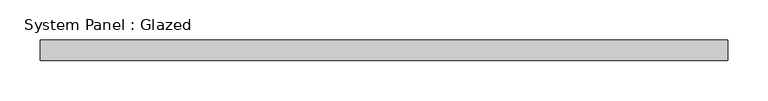
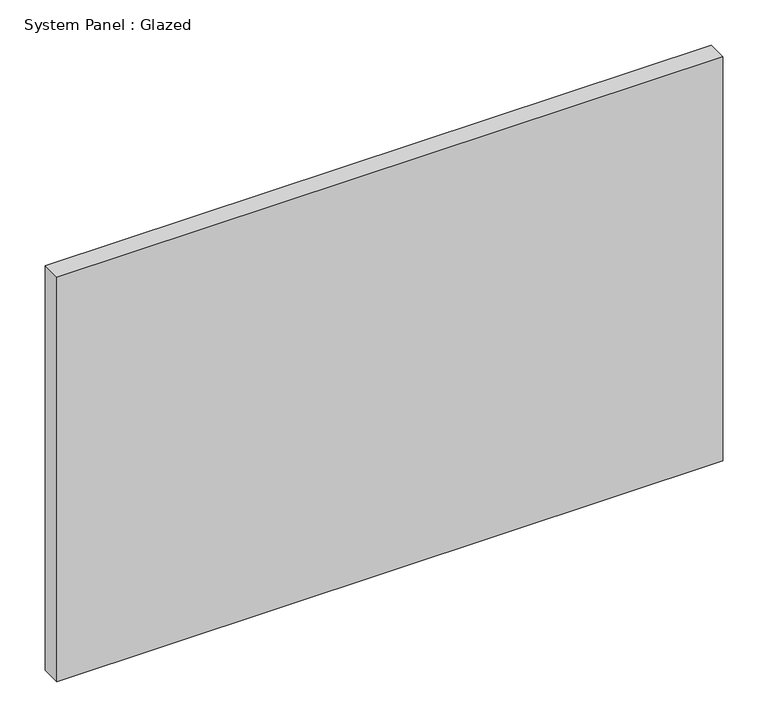
"""IFC4 building model written with IfcOpenShell, lengths in millimetres: plate geometry, System Panel : Glazed."""

import ifcopenshell
import ifcopenshell.guid

model = None  # the IFC model being written
_history = None  # IfcOwnerHistory: only IFC2X3 demands one
_inside = {}  # id of a spatial element -> (the spatial element, [elements in it])
_under = {}  # id of a project, library or spatial element -> (it, [spatial elements below it])
_declared = {}  # id of a project -> (the project, [libraries it declares])
_typed = {}  # id of a type object -> (the type object, [elements of that type])
_made_of = {}  # id of a material, layer set ... -> (it, [elements and type objects made of it])


def new_model(schema):
    """Start an empty IFC model of exactly this schema.

    Asked for "IFC4X3", IfcOpenShell would pick the latest addendum, in which some entities
    have other attributes; the version numbers below select the first issue.
    IFC2X3 requires an IfcOwnerHistory on every rooted entity: one is made here for all.
    """
    global model, _history
    if schema == "IFC4X3":
        model = ifcopenshell.file(schema_version=(4, 3, 0, 0))
    else:
        model = ifcopenshell.file(schema=schema)
    _inside.clear()
    _under.clear()
    _declared.clear()
    _typed.clear()
    _made_of.clear()
    _history = None
    if model.schema == "IFC2X3":
        org = make("IfcOrganization", Name="unknown")
        user = make(
            "IfcPersonAndOrganization",
            ThePerson=make("IfcPerson", FamilyName="unknown"),
            TheOrganization=org,
        )
        app = make(
            "IfcApplication",
            ApplicationDeveloper=org,
            Version="unknown",
            ApplicationFullName="unknown",
            ApplicationIdentifier="unknown",
        )
        _history = make(
            "IfcOwnerHistory",
            OwningUser=user,
            OwningApplication=app,
            ChangeAction="ADDED",
            CreationDate=0,
        )
    return model


def make(cls, **values):
    """One entity of the class cls with the attributes given. An attribute that is None is left unset."""
    return model.create_entity(
        cls, **{name: value for name, value in values.items() if value is not None}
    )


def rooted(cls, **values):
    """An entity with a GlobalId (a new one), such as an element, a storey or a relation."""
    return make(cls, GlobalId=ifcopenshell.guid.new(), OwnerHistory=_history, **values)


def si_unit(unit_type, name, prefix=None):
    """IfcSIUnit, for example si_unit("LENGTHUNIT", "METRE", prefix="MILLI")."""
    return make("IfcSIUnit", UnitType=unit_type, Prefix=prefix, Name=name)


def assignment(units):
    """IfcUnitAssignment: the units of a project."""
    return None if units is None else make("IfcUnitAssignment", Units=units)


def point(xyz):
    """IfcCartesianPoint."""
    return None if xyz is None else make("IfcCartesianPoint", Coordinates=xyz)


def direction(xyz):
    """IfcDirection."""
    return None if xyz is None else make("IfcDirection", DirectionRatios=xyz)


def frame(location, z_axis=None, x_axis=None):
    """IfcAxis2Placement3D, a coordinate frame: its origin and axes. An axis left out is left unset."""
    return make(
        "IfcAxis2Placement3D",
        Location=point(location),
        Axis=direction(z_axis),
        RefDirection=direction(x_axis),
    )


def origin():
    """The frame at (0, 0, 0) with its axes left unset."""
    return frame((0.0, 0.0, 0.0))


def origin_with_axes():
    """The frame at (0, 0, 0) with the z axis (0, 0, 1) and the x axis (1, 0, 0) written out."""
    return frame((0.0, 0.0, 0.0), z_axis=(0.0, 0.0, 1.0), x_axis=(1.0, 0.0, 0.0))


def place(relative_to, where):
    """IfcLocalPlacement: puts the frame where relative to a parent placement (None: the world)."""
    return make(
        "IfcLocalPlacement", PlacementRelTo=relative_to, RelativePlacement=where
    )


def context(
    kind, dimensions, precision=None, world=None, true_north=None, identifier=None
):
    """IfcGeometricRepresentationContext, for example the 3D "Model" context."""
    return make(
        "IfcGeometricRepresentationContext",
        ContextIdentifier=identifier,
        ContextType=kind,
        CoordinateSpaceDimension=dimensions,
        Precision=precision,
        WorldCoordinateSystem=world,
        TrueNorth=true_north,
    )


def project(units=None, contexts=None):
    """IfcProject with its units and contexts."""
    return rooted(
        "IfcProject",
        Name="project",
        RepresentationContexts=contexts,
        UnitsInContext=assignment(units),
    )


def spatial(cls, under=None, at=None, **own):
    """A site, building, storey or space (cls), placed at a placement, below another one or the project."""
    s = rooted(cls, ObjectPlacement=at, **own)
    if under is not None:
        _under.setdefault(under.id(), (under, []))[1].append(s)
    return s


def polyline(points):
    """IfcPolyline through the points."""
    return make("IfcPolyline", Points=[point(p) for p in points])


def outline(outer, holes=None, kind="AREA"):
    """IfcArbitraryClosedProfileDef: a profile drawn as a closed curve; with holes, ...WithVoids."""
    if holes is None:
        return make("IfcArbitraryClosedProfileDef", ProfileType=kind, OuterCurve=outer)
    return make(
        "IfcArbitraryProfileDefWithVoids",
        ProfileType=kind,
        OuterCurve=outer,
        InnerCurves=holes,
    )


def extrude(swept, where, along, depth):
    """IfcExtrudedAreaSolid: the profile swept, set in the frame where, extruded along a direction by depth."""
    return make(
        "IfcExtrudedAreaSolid",
        SweptArea=swept,
        Position=where,
        ExtrudedDirection=direction(along),
        Depth=depth,
    )


def shape(context_of_items, identifier, shape_type, items):
    """IfcShapeRepresentation: the items that make up one representation, for example the "Body"."""
    return make(
        "IfcShapeRepresentation",
        ContextOfItems=context_of_items,
        RepresentationIdentifier=identifier,
        RepresentationType=shape_type,
        Items=items,
    )


def source(mapping_origin, context_of_items, identifier, shape_type, items):
    """IfcRepresentationMap: a shape defined once, which mapped items show again and again."""
    return make(
        "IfcRepresentationMap",
        MappingOrigin=mapping_origin,
        MappedRepresentation=shape(context_of_items, identifier, shape_type, items),
    )


def transform(
    local_origin,
    x_axis=None,
    y_axis=None,
    z_axis=None,
    scale=None,
    scale2=None,
    scale3=None,
    uniform=True,
):
    """IfcCartesianTransformationOperator3D, or its non-uniform kind. x_axis, y_axis, z_axis: its Axis1, 2, 3."""
    if uniform:
        return make(
            "IfcCartesianTransformationOperator3D",
            Axis1=direction(x_axis),
            Axis2=direction(y_axis),
            LocalOrigin=point(local_origin),
            Scale=scale,
            Axis3=direction(z_axis),
        )
    return make(
        "IfcCartesianTransformationOperator3DnonUniform",
        Axis1=direction(x_axis),
        Axis2=direction(y_axis),
        LocalOrigin=point(local_origin),
        Scale=scale,
        Axis3=direction(z_axis),
        Scale2=scale2,
        Scale3=scale3,
    )


def mapped(mapping_source, mapping_target):
    """IfcMappedItem: shows the shape of a source again, moved by a transform."""
    return make(
        "IfcMappedItem", MappingSource=mapping_source, MappingTarget=mapping_target
    )


def made_of(thing, what):
    """Note that an element or type object is made of a material, layer set ...; save() writes the relation."""
    if what is not None:
        _made_of.setdefault(what.id(), (what, []))[1].append(thing)
    return thing


def element(
    cls,
    number,
    at=None,
    inside=None,
    cuts=None,
    type_object=None,
    material=None,
    context=None,
    identifier="Body",
    shape_type=None,
    held_by="IfcProductDefinitionShape",
    body=None,
    shapes=None,
    **own,
):
    """One element of the class cls, such as IfcWall. Its Tag is "e" and its number.

    at: its placement. inside: the storey or other place that contains it. cuts: it is an
    opening in that element (IfcRelVoidsElement). A single representation is given by context,
    identifier, shape_type and body (its items); several are given by shapes. held_by: the class
    of the entity that holds the representations. save() writes the other relations.
    """
    e = rooted(cls, Tag="e%d" % number, ObjectPlacement=at, **own)
    if body is not None:
        shapes = [shape(context, identifier, shape_type, body)]
    if shapes is not None:
        e.Representation = make(held_by, Representations=shapes)
    if inside is not None:
        _inside.setdefault(inside.id(), (inside, []))[1].append(e)
    if cuts is not None:
        rooted(
            "IfcRelVoidsElement", RelatingBuildingElement=cuts, RelatedOpeningElement=e
        )
    if type_object is not None:
        _typed.setdefault(type_object.id(), (type_object, []))[1].append(e)
    return made_of(e, material)


def aggregate(whole, parts):
    """IfcRelAggregates: a whole, such as a stair, and the parts it consists of."""
    return rooted("IfcRelAggregates", RelatingObject=whole, RelatedObjects=parts)


def save(model, path):
    """Write the relations noted so far, then the file.

    IfcRelAggregates (storeys below a building ...), IfcRelContainedInSpatialStructure (elements
    in a storey), IfcRelDefinesByType, IfcRelAssociatesMaterial and IfcRelDeclares: one each for
    every whole, place, type object, material and project.
    """
    for whole, parts in _under.values():
        aggregate(whole, parts)
    for where, things in _inside.values():
        rooted(
            "IfcRelContainedInSpatialStructure",
            RelatedElements=things,
            RelatingStructure=where,
        )
    for kind, things in _typed.values():
        rooted("IfcRelDefinesByType", RelatedObjects=things, RelatingType=kind)
    for what, things in _made_of.values():
        rooted("IfcRelAssociatesMaterial", RelatedObjects=things, RelatingMaterial=what)
    for by, libraries in _declared.values():
        rooted("IfcRelDeclares", RelatingContext=by, RelatedDefinitions=libraries)
    model.write(path)


def system_panel_glazed_95f14c12(model_context):
    return source(origin(), model_context, "Body", "SweptSolid", [
        extrude(outline(polyline([(425.45, 19.05), (-425.45, 19.05), (-425.45, 44.45), (425.45, 44.45), (425.45, 19.05)])), origin_with_axes(), (0.0, 0.0, 1.0), 546.1),
    ])


if __name__ == "__main__":
    model = new_model("IFC4")
    model_context = context("Model", 3, world=origin())
    ifc_project = project(units=[si_unit("LENGTHUNIT", "METRE", prefix="MILLI")], contexts=[model_context])
    site = spatial("IfcSite", under=ifc_project)
    building = spatial("IfcBuilding", under=site)
    placement = place(None, origin())
    system_panel_glazed_shape = system_panel_glazed_95f14c12(model_context)
    element("IfcPlate", 1, ObjectType="System Panel : Glazed", at=placement, inside=building, context=model_context, shape_type="MappedRepresentation", body=[
        mapped(system_panel_glazed_shape, transform((0.0, 0.0, 0.0), x_axis=(1.0, 0.0, 0.0), y_axis=(0.0, 1.0, 0.0), z_axis=(0.0, 0.0, 1.0))),
    ])
    save(model, "model.ifc")
